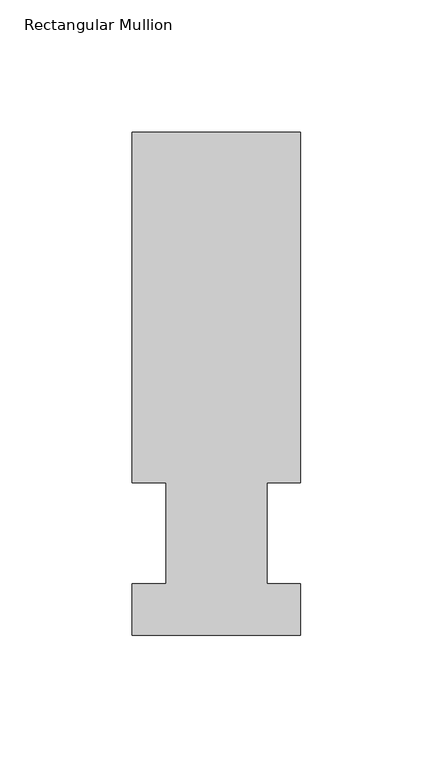
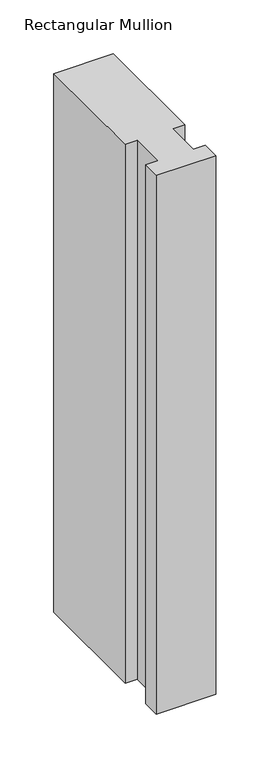
"""IFC4 building model written with IfcOpenShell, lengths in millimetres: member geometry, Rectangular Mullion."""

from ifc_helpers import new_model, si_unit, frame, origin, place, context, project, spatial, polyline, outline, extrude, source, transform, mapped, element, save


def rectangular_mullion_2790b0fe(model_context):
    return source(origin(), model_context, "Body", "SweptSolid", [
        extrude(outline(polyline([(-63.5, 189.8022937), (0.0, 189.8022937), (0.0, 57.6460937), (-12.6873, 57.6460937), (-12.6873, 19.5460937), (1e-07, 19.5460937), (1e-07, 0.0134937), (-63.4999999, 0.0134937), (-63.4999999, 19.5460937), (-50.7999999, 19.5460937), (-50.7999999, 57.6460937), (-63.5, 57.6460937), (-63.5, 189.8022937)])), frame((0.0, 0.0, -609.6), z_axis=(0.0, 0.0, 1.0), x_axis=(1.0, 0.0, 0.0)), (0.0, 0.0, 1.0), 609.6),
    ])


if __name__ == "__main__":
    model = new_model("IFC4")
    model_context = context("Model", 3, world=origin())
    ifc_project = project(units=[si_unit("LENGTHUNIT", "METRE", prefix="MILLI")], contexts=[model_context])
    site = spatial("IfcSite", under=ifc_project)
    building = spatial("IfcBuilding", under=site)
    placement = place(None, origin())
    rectangular_mullion_shape = rectangular_mullion_2790b0fe(model_context)
    element("IfcMember", 1, ObjectType="Rectangular Mullion", at=placement, inside=building, context=model_context, shape_type="MappedRepresentation", body=[
        mapped(rectangular_mullion_shape, transform((0.0, 0.0, 0.0), x_axis=(1.0, 0.0, 0.0), y_axis=(0.0, 1.0, 0.0), z_axis=(0.0, 0.0, 1.0))),
    ])
    save(model, "model.ifc")
